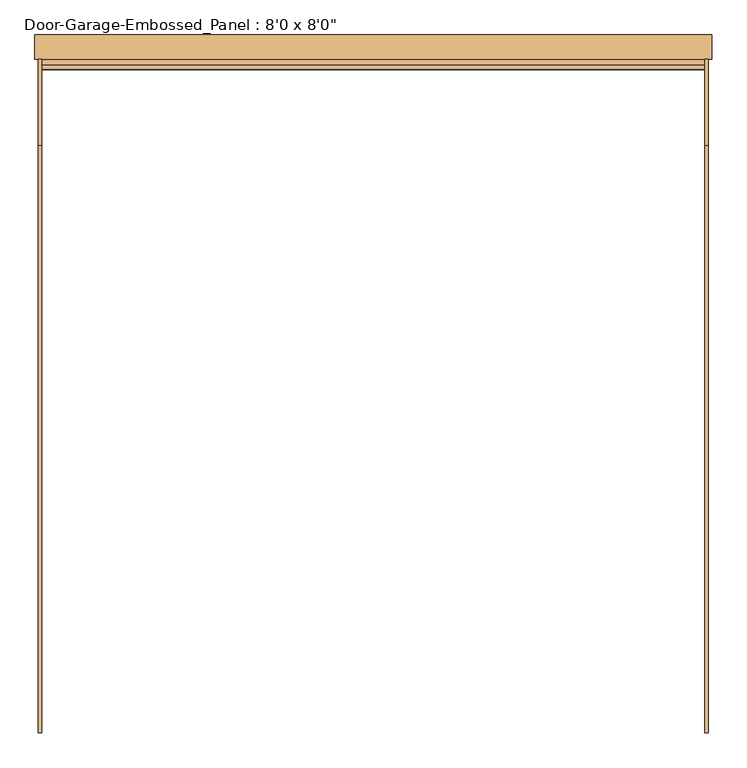
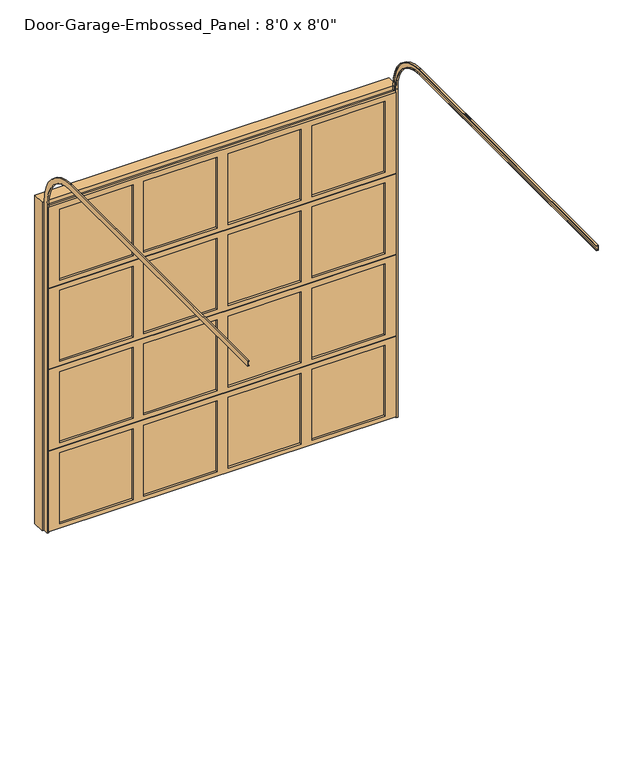
"""IFC4 building model written with IfcOpenShell, lengths in millimetres: door geometry."""

from ifc_helpers import new_model, si_unit, frame, origin, place, context, project, spatial, polyline, circle_curve, outline, extrude, faceted_brep, source, transform, mapped, element, save
from ifc_brep_helpers import plane_surface, cylinder_surface, revolved_surface, advanced_brep


def door_c5a27fb7(model_context):
    return source(origin(), model_context, "Body", "SolidModel", [
        extrude(outline(polyline([(552.45, -63.5), (552.45, -69.85), (38.1, -69.85), (38.1, -63.5), (552.45, -63.5)])), frame((0.0, 0.0, 1847.85), z_axis=(0.0, 0.0, 1.0), x_axis=(1.0, 0.0, 0.0)), (0.0, 0.0, 1.0), 527.05),
        extrude(outline(polyline([(-38.1, -63.5), (-38.1, -69.85), (-552.45, -69.85), (-552.45, -63.5), (-38.1, -63.5)])), frame((0.0, 0.0, 1847.85), z_axis=(0.0, 0.0, 1.0), x_axis=(1.0, 0.0, 0.0)), (0.0, 0.0, 1.0), 527.05),
        extrude(outline(polyline([(1143.0, -63.5), (1143.0, -69.85), (628.65, -69.85), (628.65, -63.5), (1143.0, -63.5)])), frame((0.0, 0.0, 1847.85), z_axis=(0.0, 0.0, 1.0), x_axis=(1.0, 0.0, 0.0)), (0.0, 0.0, 1.0), 527.05),
        extrude(outline(polyline([(-628.65, -63.5), (-628.65, -69.85), (-1143.0, -69.85), (-1143.0, -63.5), (-628.65, -63.5)])), frame((0.0, 0.0, 1847.85), z_axis=(0.0, 0.0, 1.0), x_axis=(1.0, 0.0, 0.0)), (0.0, 0.0, 1.0), 527.05),
        faceted_brep([(1219.2, -69.85, 2416.175), (1219.2, -85.725, 2416.175), (1219.2, -85.725, 1816.1), (1219.2, -63.5, 1816.1), (1219.2, -63.5, 1809.75), (1219.2, -47.625, 1809.75), (1219.2, -47.625, 2409.825), (1219.2, -69.85, 2409.825), (-1219.2, -85.725, 2416.175), (-1219.2, -69.85, 2416.175), (-1219.2, -69.85, 2409.825), (-1219.2, -47.625, 2409.825), (-1219.2, -47.625, 1809.75), (-1219.2, -63.5, 1809.75), (-1219.2, -63.5, 1816.1), (-1219.2, -85.725, 1816.1), (628.65, -85.725, 2374.9), (1143.0, -85.725, 2374.9), (1143.0, -85.725, 1847.85), (628.65, -85.725, 1847.85), (-552.45, -85.725, 2374.9), (-38.1, -85.725, 2374.9), (-38.1, -85.725, 1847.85), (-552.45, -85.725, 1847.85), (38.1, -85.725, 2374.9), (552.45, -85.725, 2374.9), (552.45, -85.725, 1847.85), (38.1, -85.725, 1847.85), (-1143.0, -85.725, 2374.9), (-628.65, -85.725, 2374.9), (-628.65, -85.725, 1847.85), (-1143.0, -85.725, 1847.85), (1143.0, -47.625, 2374.9), (628.65, -47.625, 2374.9), (628.65, -47.625, 1847.85), (1143.0, -47.625, 1847.85), (-38.1, -47.625, 2374.9), (-552.45, -47.625, 2374.9), (-552.45, -47.625, 1847.85), (-38.1, -47.625, 1847.85), (552.45, -47.625, 2374.9), (38.1, -47.625, 2374.9), (38.1, -47.625, 1847.85), (552.45, -47.625, 1847.85), (-628.65, -47.625, 2374.9), (-1143.0, -47.625, 2374.9), (-1143.0, -47.625, 1847.85), (-628.65, -47.625, 1847.85)], [[[0, 1, 2, 3, 4, 5, 6, 7]], [[8, 9, 10, 11, 12, 13, 14, 15]], [[1, 0, 9, 8]], [[2, 1, 8, 15], [16, 17, 18, 19], [20, 21, 22, 23], [24, 25, 26, 27], [28, 29, 30, 31]], [[3, 2, 15, 14]], [[4, 3, 14, 13]], [[5, 4, 13, 12]], [[6, 5, 12, 11], [32, 33, 34, 35], [36, 37, 38, 39], [40, 41, 42, 43], [44, 45, 46, 47]], [[7, 6, 11, 10]], [[0, 7, 10, 9]], [[16, 33, 32, 17]], [[33, 16, 19, 34]], [[34, 19, 18, 35]], [[17, 32, 35, 18]], [[20, 37, 36, 21]], [[37, 20, 23, 38]], [[38, 23, 22, 39]], [[21, 36, 39, 22]], [[24, 41, 40, 25]], [[41, 24, 27, 42]], [[42, 27, 26, 43]], [[25, 40, 43, 26]], [[28, 45, 44, 29]], [[45, 28, 31, 46]], [[46, 31, 30, 47]], [[29, 44, 47, 30]]]),
        extrude(outline(polyline([(552.45, -63.5), (552.45, -69.85), (38.1, -69.85), (38.1, -63.5), (552.45, -63.5)])), frame((0.0, 0.0, 1244.6), z_axis=(0.0, 0.0, 1.0), x_axis=(1.0, 0.0, 0.0)), (0.0, 0.0, 1.0), 527.05),
        extrude(outline(polyline([(-38.1, -63.5), (-38.1, -69.85), (-552.45, -69.85), (-552.45, -63.5), (-38.1, -63.5)])), frame((0.0, 0.0, 1244.6), z_axis=(0.0, 0.0, 1.0), x_axis=(1.0, 0.0, 0.0)), (0.0, 0.0, 1.0), 527.05),
        extrude(outline(polyline([(1143.0, -63.5), (1143.0, -69.85), (628.65, -69.85), (628.65, -63.5), (1143.0, -63.5)])), frame((0.0, 0.0, 1244.6), z_axis=(0.0, 0.0, 1.0), x_axis=(1.0, 0.0, 0.0)), (0.0, 0.0, 1.0), 527.05),
        extrude(outline(polyline([(-628.65, -63.5), (-628.65, -69.85), (-1143.0, -69.85), (-1143.0, -63.5), (-628.65, -63.5)])), frame((0.0, 0.0, 1244.6), z_axis=(0.0, 0.0, 1.0), x_axis=(1.0, 0.0, 0.0)), (0.0, 0.0, 1.0), 527.05),
        faceted_brep([(1219.2, -69.85, 1812.925), (1219.2, -85.725, 1812.925), (1219.2, -85.725, 1212.85), (1219.2, -63.5, 1212.85), (1219.2, -63.5, 1206.5), (1219.2, -47.625, 1206.5), (1219.2, -47.625, 1806.575), (1219.2, -69.85, 1806.575), (-1219.2, -85.725, 1812.925), (-1219.2, -69.85, 1812.925), (-1219.2, -69.85, 1806.575), (-1219.2, -47.625, 1806.575), (-1219.2, -47.625, 1206.5), (-1219.2, -63.5, 1206.5), (-1219.2, -63.5, 1212.85), (-1219.2, -85.725, 1212.85), (628.65, -85.725, 1771.65), (1143.0, -85.725, 1771.65), (1143.0, -85.725, 1244.6), (628.65, -85.725, 1244.6), (-552.45, -85.725, 1771.65), (-38.1, -85.725, 1771.65), (-38.1, -85.725, 1244.6), (-552.45, -85.725, 1244.6), (38.1, -85.725, 1771.65), (552.45, -85.725, 1771.65), (552.45, -85.725, 1244.6), (38.1, -85.725, 1244.6), (-1143.0, -85.725, 1771.65), (-628.65, -85.725, 1771.65), (-628.65, -85.725, 1244.6), (-1143.0, -85.725, 1244.6), (1143.0, -47.625, 1771.65), (628.65, -47.625, 1771.65), (628.65, -47.625, 1244.6), (1143.0, -47.625, 1244.6), (-38.1, -47.625, 1771.65), (-552.45, -47.625, 1771.65), (-552.45, -47.625, 1244.6), (-38.1, -47.625, 1244.6), (552.45, -47.625, 1771.65), (38.1, -47.625, 1771.65), (38.1, -47.625, 1244.6), (552.45, -47.625, 1244.6), (-628.65, -47.625, 1771.65), (-1143.0, -47.625, 1771.65), (-1143.0, -47.625, 1244.6), (-628.65, -47.625, 1244.6)], [[[0, 1, 2, 3, 4, 5, 6, 7]], [[8, 9, 10, 11, 12, 13, 14, 15]], [[1, 0, 9, 8]], [[2, 1, 8, 15], [16, 17, 18, 19], [20, 21, 22, 23], [24, 25, 26, 27], [28, 29, 30, 31]], [[3, 2, 15, 14]], [[4, 3, 14, 13]], [[5, 4, 13, 12]], [[6, 5, 12, 11], [32, 33, 34, 35], [36, 37, 38, 39], [40, 41, 42, 43], [44, 45, 46, 47]], [[7, 6, 11, 10]], [[0, 7, 10, 9]], [[16, 33, 32, 17]], [[33, 16, 19, 34]], [[34, 19, 18, 35]], [[17, 32, 35, 18]], [[20, 37, 36, 21]], [[37, 20, 23, 38]], [[38, 23, 22, 39]], [[21, 36, 39, 22]], [[24, 41, 40, 25]], [[41, 24, 27, 42]], [[42, 27, 26, 43]], [[25, 40, 43, 26]], [[28, 45, 44, 29]], [[45, 28, 31, 46]], [[46, 31, 30, 47]], [[29, 44, 47, 30]]]),
        extrude(outline(polyline([(552.45, -63.5), (552.45, -69.85), (38.1, -69.85), (38.1, -63.5), (552.45, -63.5)])), frame((0.0, 0.0, 641.35), z_axis=(0.0, 0.0, 1.0), x_axis=(1.0, 0.0, 0.0)), (0.0, 0.0, 1.0), 527.05),
        extrude(outline(polyline([(-38.1, -63.5), (-38.1, -69.85), (-552.45, -69.85), (-552.45, -63.5), (-38.1, -63.5)])), frame((0.0, 0.0, 641.35), z_axis=(0.0, 0.0, 1.0), x_axis=(1.0, 0.0, 0.0)), (0.0, 0.0, 1.0), 527.05),
        extrude(outline(polyline([(1143.0, -63.5), (1143.0, -69.85), (628.65, -69.85), (628.65, -63.5), (1143.0, -63.5)])), frame((0.0, 0.0, 641.35), z_axis=(0.0, 0.0, 1.0), x_axis=(1.0, 0.0, 0.0)), (0.0, 0.0, 1.0), 527.05),
        extrude(outline(polyline([(-628.65, -63.5), (-628.65, -69.85), (-1143.0, -69.85), (-1143.0, -63.5), (-628.65, -63.5)])), frame((0.0, 0.0, 641.35), z_axis=(0.0, 0.0, 1.0), x_axis=(1.0, 0.0, 0.0)), (0.0, 0.0, 1.0), 527.05),
        faceted_brep([(1219.2, -69.85, 1209.675), (1219.2, -85.725, 1209.675), (1219.2, -85.725, 609.6), (1219.2, -63.5, 609.6), (1219.2, -63.5, 603.25), (1219.2, -47.625, 603.25), (1219.2, -47.625, 1203.325), (1219.2, -69.85, 1203.325), (-1219.2, -85.725, 1209.675), (-1219.2, -69.85, 1209.675), (-1219.2, -69.85, 1203.325), (-1219.2, -47.625, 1203.325), (-1219.2, -47.625, 603.25), (-1219.2, -63.5, 603.25), (-1219.2, -63.5, 609.6), (-1219.2, -85.725, 609.6), (628.65, -85.725, 1168.4), (1143.0, -85.725, 1168.4), (1143.0, -85.725, 641.35), (628.65, -85.725, 641.35), (-552.45, -85.725, 1168.4), (-38.1, -85.725, 1168.4), (-38.1, -85.725, 641.35), (-552.45, -85.725, 641.35), (38.1, -85.725, 1168.4), (552.45, -85.725, 1168.4), (552.45, -85.725, 641.35), (38.1, -85.725, 641.35), (-1143.0, -85.725, 1168.4), (-628.65, -85.725, 1168.4), (-628.65, -85.725, 641.35), (-1143.0, -85.725, 641.35), (1143.0, -47.625, 1168.4), (628.65, -47.625, 1168.4), (628.65, -47.625, 641.35), (1143.0, -47.625, 641.35), (-38.1, -47.625, 1168.4), (-552.45, -47.625, 1168.4), (-552.45, -47.625, 641.35), (-38.1, -47.625, 641.35), (552.45, -47.625, 1168.4), (38.1, -47.625, 1168.4), (38.1, -47.625, 641.35), (552.45, -47.625, 641.35), (-628.65, -47.625, 1168.4), (-1143.0, -47.625, 1168.4), (-1143.0, -47.625, 641.35), (-628.65, -47.625, 641.35)], [[[0, 1, 2, 3, 4, 5, 6, 7]], [[8, 9, 10, 11, 12, 13, 14, 15]], [[1, 0, 9, 8]], [[2, 1, 8, 15], [16, 17, 18, 19], [20, 21, 22, 23], [24, 25, 26, 27], [28, 29, 30, 31]], [[3, 2, 15, 14]], [[4, 3, 14, 13]], [[5, 4, 13, 12]], [[6, 5, 12, 11], [32, 33, 34, 35], [36, 37, 38, 39], [40, 41, 42, 43], [44, 45, 46, 47]], [[7, 6, 11, 10]], [[0, 7, 10, 9]], [[16, 33, 32, 17]], [[33, 16, 19, 34]], [[34, 19, 18, 35]], [[17, 32, 35, 18]], [[20, 37, 36, 21]], [[37, 20, 23, 38]], [[38, 23, 22, 39]], [[21, 36, 39, 22]], [[24, 41, 40, 25]], [[41, 24, 27, 42]], [[42, 27, 26, 43]], [[25, 40, 43, 26]], [[28, 45, 44, 29]], [[45, 28, 31, 46]], [[46, 31, 30, 47]], [[29, 44, 47, 30]]]),
        extrude(outline(polyline([(552.45, -63.5), (552.45, -69.85), (38.1, -69.85), (38.1, -63.5), (552.45, -63.5)])), frame((0.0, 0.0, 38.1), z_axis=(0.0, 0.0, 1.0), x_axis=(1.0, 0.0, 0.0)), (0.0, 0.0, 1.0), 527.05),
        extrude(outline(polyline([(-38.1, -63.5), (-38.1, -69.85), (-552.45, -69.85), (-552.45, -63.5), (-38.1, -63.5)])), frame((0.0, 0.0, 38.1), z_axis=(0.0, 0.0, 1.0), x_axis=(1.0, 0.0, 0.0)), (0.0, 0.0, 1.0), 527.05),
        extrude(outline(polyline([(1143.0, -63.5), (1143.0, -69.85), (628.65, -69.85), (628.65, -63.5), (1143.0, -63.5)])), frame((0.0, 0.0, 38.1), z_axis=(0.0, 0.0, 1.0), x_axis=(1.0, 0.0, 0.0)), (0.0, 0.0, 1.0), 527.05),
        extrude(outline(polyline([(-628.65, -63.5), (-628.65, -69.85), (-1143.0, -69.85), (-1143.0, -63.5), (-628.65, -63.5)])), frame((0.0, 0.0, 38.1), z_axis=(0.0, 0.0, 1.0), x_axis=(1.0, 0.0, 0.0)), (0.0, 0.0, 1.0), 527.05),
        faceted_brep([(1219.2, -69.85, 606.425), (1219.2, -85.725, 606.425), (1219.2, -85.725, 6.35), (1219.2, -63.5, 6.35), (1219.2, -63.5, 0.0), (1219.2, -47.625, 0.0), (1219.2, -47.625, 600.075), (1219.2, -69.85, 600.075), (-1219.2, -85.725, 606.425), (-1219.2, -69.85, 606.425), (-1219.2, -69.85, 600.075), (-1219.2, -47.625, 600.075), (-1219.2, -47.625, 0.0), (-1219.2, -63.5, 0.0), (-1219.2, -63.5, 6.35), (-1219.2, -85.725, 6.35), (628.65, -85.725, 565.15), (1143.0, -85.725, 565.15), (1143.0, -85.725, 38.1), (628.65, -85.725, 38.1), (-552.45, -85.725, 565.15), (-38.1, -85.725, 565.15), (-38.1, -85.725, 38.1), (-552.45, -85.725, 38.1), (38.1, -85.725, 565.15), (552.45, -85.725, 565.15), (552.45, -85.725, 38.1), (38.1, -85.725, 38.1), (-1143.0, -85.725, 565.15), (-628.65, -85.725, 565.15), (-628.65, -85.725, 38.1), (-1143.0, -85.725, 38.1), (1143.0, -47.625, 565.15), (628.65, -47.625, 565.15), (628.65, -47.625, 38.1), (1143.0, -47.625, 38.1), (-38.1, -47.625, 565.15), (-552.45, -47.625, 565.15), (-552.45, -47.625, 38.1), (-38.1, -47.625, 38.1), (552.45, -47.625, 565.15), (38.1, -47.625, 565.15), (38.1, -47.625, 38.1), (552.45, -47.625, 38.1), (-628.65, -47.625, 565.15), (-1143.0, -47.625, 565.15), (-1143.0, -47.625, 38.1), (-628.65, -47.625, 38.1)], [[[0, 1, 2, 3, 4, 5, 6, 7]], [[8, 9, 10, 11, 12, 13, 14, 15]], [[1, 0, 9, 8]], [[2, 1, 8, 15], [16, 17, 18, 19], [20, 21, 22, 23], [24, 25, 26, 27], [28, 29, 30, 31]], [[3, 2, 15, 14]], [[4, 3, 14, 13]], [[5, 4, 13, 12]], [[6, 5, 12, 11], [32, 33, 34, 35], [36, 37, 38, 39], [40, 41, 42, 43], [44, 45, 46, 47]], [[7, 6, 11, 10]], [[0, 7, 10, 9]], [[16, 33, 32, 17]], [[33, 16, 19, 34]], [[34, 19, 18, 35]], [[17, 32, 35, 18]], [[20, 37, 36, 21]], [[37, 20, 23, 38]], [[38, 23, 22, 39]], [[21, 36, 39, 22]], [[24, 41, 40, 25]], [[41, 24, 27, 42]], [[42, 27, 26, 43]], [[25, 40, 43, 26]], [[28, 45, 44, 29]], [[45, 28, 31, 46]], [[46, 31, 30, 47]], [[29, 44, 47, 30]]]),
        advanced_brep(
        [(1231.9, -85.725, 0.0), (1219.2, -85.725, 0.0), (1219.2, -82.55, 0.0), (1228.725, -82.55, 0.0), (1228.725, -50.8, 0.0), (1219.2, -50.8, 0.0), (1219.2, -47.625, 0.0), (1231.9, -47.625, 0.0), (1231.9, -85.725, 2438.4), (1219.2, -85.725, 2438.4), (1219.2, -365.125, 2717.8), (1219.2, -2524.125, 2717.8), (1219.2, -2524.125, 2720.975), (1219.2, -365.125, 2720.975), (1219.2, -82.55, 2438.4), (1228.725, -82.55, 2438.4), (1228.725, -365.125, 2720.975), (1228.725, -2524.125, 2720.975), (1228.725, -2524.125, 2752.725), (1228.725, -365.125, 2752.725), (1228.725, -50.8, 2438.4), (1219.2, -50.8, 2438.4), (1219.2, -365.125, 2752.725), (1219.2, -2524.125, 2752.725), (1219.2, -2524.125, 2755.9), (1219.2, -365.125, 2755.9), (1219.2, -47.625, 2438.4), (1231.9, -47.625, 2438.4), (1231.9, -365.125, 2755.9), (1231.9, -2524.125, 2755.9), (1231.9, -2524.125, 2717.8), (1231.9, -365.125, 2717.8)],
        [
            (0, 1),
            (1, 2),
            (2, 3),
            (3, 4),
            (4, 5),
            (5, 6),
            (6, 7),
            (7, 0),
            (0, 8),
            (8, 9),
            (9, 1),
            (9, 10, circle_curve(frame((1219.2, -365.125, 2438.4), z_axis=(1.0, 0.0, 0.0), x_axis=(0.0, 1.0, 0.0)), 279.4)),
            (10, 11),
            (11, 12),
            (12, 13),
            (13, 14, circle_curve(frame((1219.2, -365.125, 2438.4), z_axis=(-1.0, 0.0, 0.0), x_axis=(0.0, 1.0, 0.0)), 282.575)),
            (14, 2),
            (14, 15),
            (15, 3),
            (15, 16, circle_curve(frame((1228.725, -365.125, 2438.4), z_axis=(1.0, 0.0, 0.0), x_axis=(0.0, 1.0, 0.0)), 282.575)),
            (16, 17),
            (17, 18),
            (18, 19),
            (19, 20, circle_curve(frame((1228.725, -365.125, 2438.4), z_axis=(-1.0, 0.0, 0.0), x_axis=(0.0, 1.0, 0.0)), 314.325)),
            (20, 4),
            (20, 21),
            (21, 5),
            (21, 22, circle_curve(frame((1219.2, -365.125, 2438.4), z_axis=(1.0, 0.0, 0.0), x_axis=(0.0, 1.0, 0.0)), 314.325)),
            (22, 23),
            (23, 24),
            (24, 25),
            (25, 26, circle_curve(frame((1219.2, -365.125, 2438.4), z_axis=(-1.0, 0.0, 0.0), x_axis=(0.0, 1.0, 0.0)), 317.5)),
            (26, 6),
            (26, 27),
            (27, 7),
            (27, 28, circle_curve(frame((1231.9, -365.125, 2438.4), z_axis=(1.0, 0.0, 0.0), x_axis=(0.0, 1.0, 0.0)), 317.5)),
            (28, 29),
            (29, 30),
            (30, 31),
            (31, 8, circle_curve(frame((1231.9, -365.125, 2438.4), z_axis=(-1.0, 0.0, 0.0), x_axis=(0.0, 1.0, 0.0)), 279.4)),
            (31, 10),
            (13, 16),
            (19, 22),
            (25, 28),
            (29, 24),
            (23, 18),
            (17, 12),
            (11, 30),
        ],
        [
            plane_surface(frame((0.0, -85.725, 0.0), z_axis=(0.0, 0.0, -1.0), x_axis=(1.0, 0.0, 0.0))),
            plane_surface(frame((1231.9, -85.725, 0.0), z_axis=(0.0, -1.0, 0.0), x_axis=(0.0, 0.0, 1.0))),
            plane_surface(frame((1219.2, -85.725, 0.0), z_axis=(-1.0, 0.0, 0.0), x_axis=(0.0, 0.0, 1.0))),
            plane_surface(frame((1219.2, -82.55, 0.0), z_axis=(0.0, 1.0, 0.0), x_axis=(0.0, 0.0, 1.0))),
            plane_surface(frame((1228.725, -82.55, 0.0), z_axis=(-1.0, 0.0, 0.0), x_axis=(0.0, 0.0, 1.0))),
            plane_surface(frame((1228.725, -50.8, 0.0), z_axis=(0.0, -1.0, 0.0), x_axis=(0.0, 0.0, 1.0))),
            plane_surface(frame((1219.2, -50.8, 0.0), z_axis=(-1.0, 0.0, 0.0), x_axis=(0.0, 0.0, 1.0))),
            plane_surface(frame((1219.2, -47.625, 0.0), z_axis=(0.0, 1.0, 0.0), x_axis=(0.0, 0.0, 1.0))),
            plane_surface(frame((1231.9, -47.625, 0.0), z_axis=(1.0, 0.0, 0.0), x_axis=(0.0, 0.0, 1.0))),
            revolved_surface(polyline([(1231.9, -85.72500000000002, 2438.4), (1219.2, -85.72500000000002, 2438.4)]), (0.0, -365.125, 2438.4), (1.0, 0.0, 0.0)),
            cylinder_surface(frame((0.0, -365.125, 2438.4), z_axis=(1.0, 0.0, 0.0), x_axis=(0.0, 1.0, 0.0)), 282.575),
            revolved_surface(polyline([(1228.725, -50.80000000000001, 2438.4), (1219.2, -50.80000000000001, 2438.4)]), (0.0, -365.125, 2438.4), (1.0, 0.0, 0.0)),
            cylinder_surface(frame((0.0, -365.125, 2438.4), z_axis=(1.0, 0.0, 0.0), x_axis=(0.0, 1.0, 0.0)), 317.5),
            plane_surface(frame((0.0, -2524.125, 2717.8), z_axis=(0.0, -1.0, 0.0), x_axis=(1.0, 0.0, 0.0))),
            plane_surface(frame((1231.9, -365.125, 2717.8), z_axis=(0.0, 0.0, -1.0), x_axis=(0.0, -1.0, 0.0))),
            plane_surface(frame((1219.2, -365.125, 2720.975), z_axis=(0.0, 0.0, 1.0), x_axis=(0.0, -1.0, 0.0))),
            plane_surface(frame((1228.725, -365.125, 2752.725), z_axis=(0.0, 0.0, -1.0), x_axis=(0.0, -1.0, 0.0))),
            plane_surface(frame((1219.2, -365.125, 2755.9), z_axis=(0.0, 0.0, 1.0), x_axis=(0.0, -1.0, 0.0))),
        ],
        [
            (0, [[1, 2, 3, 4, 5, 6, 7, 8]]),
            (1, [[-1, 9, 10, 11]]),
            (2, [[-2, -11, 12, 13, 14, 15, 16, 17]]),
            (3, [[-3, -17, 18, 19]]),
            (4, [[-4, -19, 20, 21, 22, 23, 24, 25]]),
            (5, [[-5, -25, 26, 27]]),
            (6, [[-6, -27, 28, 29, 30, 31, 32, 33]]),
            (7, [[-7, -33, 34, 35]]),
            (8, [[-8, -35, 36, 37, 38, 39, 40, -9]]),
            (9, [[-12, -10, -40, 41]]),
            (10, [[-20, -18, -16, 42]]),
            (11, [[-28, -26, -24, 43]]),
            (12, [[-36, -34, -32, 44]]),
            (13, [[-38, 45, -30, 46, -22, 47, -14, 48]]),
            (14, [[-41, -39, -48, -13]]),
            (15, [[-42, -15, -47, -21]]),
            (16, [[-43, -23, -46, -29]]),
            (17, [[-44, -31, -45, -37]]),
        ],
    ),
        advanced_brep(
        [(-1231.9, -85.725, 0.0), (-1231.9, -47.625, 0.0), (-1219.2, -47.625, 0.0), (-1219.2, -50.8, 0.0), (-1228.725, -50.8, 0.0), (-1228.725, -82.55, 0.0), (-1219.2, -82.55, 0.0), (-1219.2, -85.725, 0.0), (-1231.9, -85.725, 2438.4), (-1231.9, -365.125, 2717.8), (-1231.9, -2524.125, 2717.8), (-1231.9, -2524.125, 2755.9), (-1231.9, -365.125, 2755.9), (-1231.9, -47.625, 2438.4), (-1219.2, -47.625, 2438.4), (-1219.2, -365.125, 2755.9), (-1219.2, -2524.125, 2755.9), (-1219.2, -2524.125, 2752.725), (-1219.2, -365.125, 2752.725), (-1219.2, -50.8, 2438.4), (-1228.725, -50.8, 2438.4), (-1228.725, -365.125, 2752.725), (-1228.725, -2524.125, 2752.725), (-1228.725, -2524.125, 2720.975), (-1228.725, -365.125, 2720.975), (-1228.725, -82.55, 2438.4), (-1219.2, -82.55, 2438.4), (-1219.2, -365.125, 2720.975), (-1219.2, -2524.125, 2720.975), (-1219.2, -2524.125, 2717.8), (-1219.2, -365.125, 2717.8), (-1219.2, -85.725, 2438.4)],
        [
            (0, 1),
            (1, 2),
            (2, 3),
            (3, 4),
            (4, 5),
            (5, 6),
            (6, 7),
            (7, 0),
            (0, 8),
            (8, 9, circle_curve(frame((-1231.9, -365.125, 2438.4), z_axis=(1.0, 0.0, 0.0), x_axis=(0.0, 1.0, 0.0)), 279.4)),
            (9, 10),
            (10, 11),
            (11, 12),
            (12, 13, circle_curve(frame((-1231.9, -365.125, 2438.4), z_axis=(-1.0, 0.0, 0.0), x_axis=(0.0, 1.0, 0.0)), 317.5)),
            (13, 1),
            (13, 14),
            (14, 2),
            (14, 15, circle_curve(frame((-1219.2, -365.125, 2438.4), z_axis=(1.0, 0.0, 0.0), x_axis=(0.0, 1.0, 0.0)), 317.5)),
            (15, 16),
            (16, 17),
            (17, 18),
            (18, 19, circle_curve(frame((-1219.2, -365.125, 2438.4), z_axis=(-1.0, 0.0, 0.0), x_axis=(0.0, 1.0, 0.0)), 314.325)),
            (19, 3),
            (19, 20),
            (20, 4),
            (20, 21, circle_curve(frame((-1228.725, -365.125, 2438.4), z_axis=(1.0, 0.0, 0.0), x_axis=(0.0, 1.0, 0.0)), 314.325)),
            (21, 22),
            (22, 23),
            (23, 24),
            (24, 25, circle_curve(frame((-1228.725, -365.125, 2438.4), z_axis=(-1.0, 0.0, 0.0), x_axis=(0.0, 1.0, 0.0)), 282.575)),
            (25, 5),
            (25, 26),
            (26, 6),
            (26, 27, circle_curve(frame((-1219.2, -365.125, 2438.4), z_axis=(1.0, 0.0, 0.0), x_axis=(0.0, 1.0, 0.0)), 282.575)),
            (27, 28),
            (28, 29),
            (29, 30),
            (30, 31, circle_curve(frame((-1219.2, -365.125, 2438.4), z_axis=(-1.0, 0.0, 0.0), x_axis=(0.0, 1.0, 0.0)), 279.4)),
            (31, 7),
            (31, 8),
            (12, 15),
            (18, 21),
            (24, 27),
            (30, 9),
            (10, 29),
            (28, 23),
            (22, 17),
            (16, 11),
        ],
        [
            plane_surface(frame((0.0, -85.725, 0.0), z_axis=(0.0, 0.0, -1.0), x_axis=(1.0, 0.0, 0.0))),
            plane_surface(frame((-1231.9, -85.725, 0.0), z_axis=(-1.0, 0.0, 0.0), x_axis=(0.0, 0.0, 1.0))),
            plane_surface(frame((-1231.9, -47.625, 0.0), z_axis=(0.0, 1.0, 0.0), x_axis=(0.0, 0.0, 1.0))),
            plane_surface(frame((-1219.2, -47.625, 0.0), z_axis=(1.0, 0.0, 0.0), x_axis=(0.0, 0.0, 1.0))),
            plane_surface(frame((-1219.2, -50.8, 0.0), z_axis=(0.0, -1.0, 0.0), x_axis=(0.0, 0.0, 1.0))),
            plane_surface(frame((-1228.725, -50.8, 0.0), z_axis=(1.0, 0.0, 0.0), x_axis=(0.0, 0.0, 1.0))),
            plane_surface(frame((-1228.725, -82.55, 0.0), z_axis=(0.0, 1.0, 0.0), x_axis=(0.0, 0.0, 1.0))),
            plane_surface(frame((-1219.2, -82.55, 0.0), z_axis=(1.0, 0.0, 0.0), x_axis=(0.0, 0.0, 1.0))),
            plane_surface(frame((-1219.2, -85.725, 0.0), z_axis=(0.0, -1.0, 0.0), x_axis=(0.0, 0.0, 1.0))),
            cylinder_surface(frame((0.0, -365.125, 2438.4), z_axis=(1.0, 0.0, 0.0), x_axis=(0.0, 1.0, 0.0)), 317.5),
            revolved_surface(polyline([(-1219.2, -50.80000000000001, 2438.4), (-1228.725, -50.80000000000001, 2438.4)]), (0.0, -365.125, 2438.4), (1.0, 0.0, 0.0)),
            cylinder_surface(frame((0.0, -365.125, 2438.4), z_axis=(1.0, 0.0, 0.0), x_axis=(0.0, 1.0, 0.0)), 282.575),
            revolved_surface(polyline([(-1219.2, -85.72500000000002, 2438.4), (-1231.9, -85.72500000000002, 2438.4)]), (0.0, -365.125, 2438.4), (1.0, 0.0, 0.0)),
            plane_surface(frame((0.0, -2524.125, 2717.8), z_axis=(0.0, -1.0, 0.0), x_axis=(1.0, 0.0, 0.0))),
            plane_surface(frame((-1231.9, -365.125, 2755.9), z_axis=(0.0, 0.0, 1.0), x_axis=(0.0, -1.0, 0.0))),
            plane_surface(frame((-1219.2, -365.125, 2752.725), z_axis=(0.0, 0.0, -1.0), x_axis=(0.0, -1.0, 0.0))),
            plane_surface(frame((-1228.725, -365.125, 2720.975), z_axis=(0.0, 0.0, 1.0), x_axis=(0.0, -1.0, 0.0))),
            plane_surface(frame((-1219.2, -365.125, 2717.8), z_axis=(0.0, 0.0, -1.0), x_axis=(0.0, -1.0, 0.0))),
        ],
        [
            (0, [[1, 2, 3, 4, 5, 6, 7, 8]]),
            (1, [[-1, 9, 10, 11, 12, 13, 14, 15]]),
            (2, [[-2, -15, 16, 17]]),
            (3, [[-3, -17, 18, 19, 20, 21, 22, 23]]),
            (4, [[-4, -23, 24, 25]]),
            (5, [[-5, -25, 26, 27, 28, 29, 30, 31]]),
            (6, [[-6, -31, 32, 33]]),
            (7, [[-7, -33, 34, 35, 36, 37, 38, 39]]),
            (8, [[-8, -39, 40, -9]]),
            (9, [[-18, -16, -14, 41]]),
            (10, [[-26, -24, -22, 42]]),
            (11, [[-34, -32, -30, 43]]),
            (12, [[-10, -40, -38, 44]]),
            (13, [[45, -36, 46, -28, 47, -20, 48, -12]]),
            (14, [[-41, -13, -48, -19]]),
            (15, [[-42, -21, -47, -27]]),
            (16, [[-43, -29, -46, -35]]),
            (17, [[-44, -37, -45, -11]]),
        ],
    ),
        extrude(outline(polyline([(0.0, 1219.2), (0.0, 1244.6), (2438.4, 1244.6), (2438.4, -1244.6), (0.0, -1244.6), (0.0, -1219.2), (2413.0, -1219.2), (2413.0, 1219.2), (0.0, 1219.2)])), frame((0.0, -47.625, 0.0), z_axis=(0.0, 1.0, 0.0), x_axis=(0.0, 0.0, 1.0)), (0.0, 0.0, 1.0), 88.9),
    ])


if __name__ == "__main__":
    model = new_model("IFC4")
    model_context = context("Model", 3, world=origin())
    ifc_project = project(units=[si_unit("LENGTHUNIT", "METRE", prefix="MILLI")], contexts=[model_context])
    site = spatial("IfcSite", under=ifc_project)
    building = spatial("IfcBuilding", under=site)
    placement = place(None, origin())
    door_shape = door_c5a27fb7(model_context)
    element("IfcDoor", 1, ObjectType="Door-Garage-Embossed_Panel : 8'0 x 8'0\"", at=placement, inside=building, context=model_context, shape_type="MappedRepresentation", body=[
        mapped(door_shape, transform((0.0, 0.0, 0.0), x_axis=(1.0, 0.0, 0.0), y_axis=(0.0, 1.0, 0.0), z_axis=(0.0, 0.0, 1.0))),
    ])
    save(model, "model.ifc")
